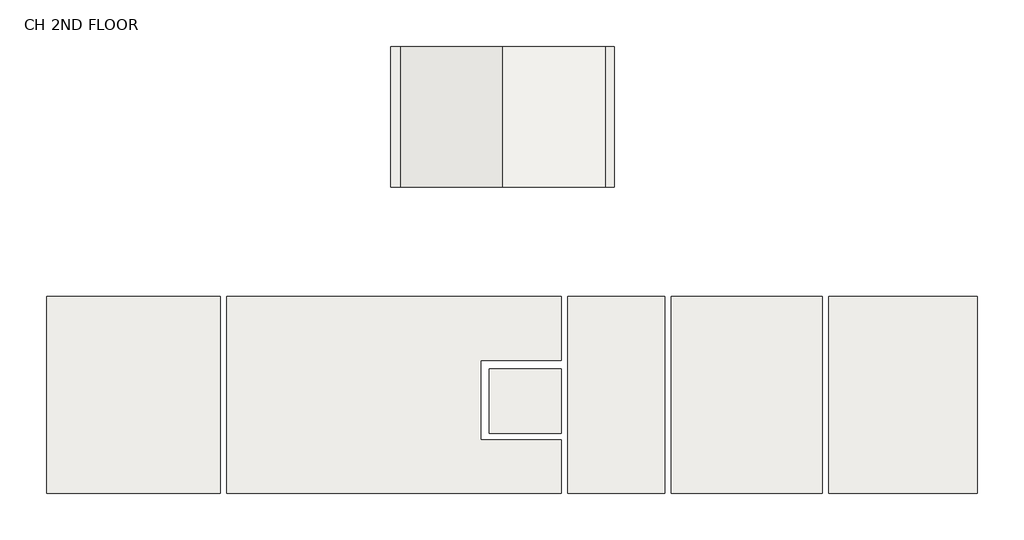
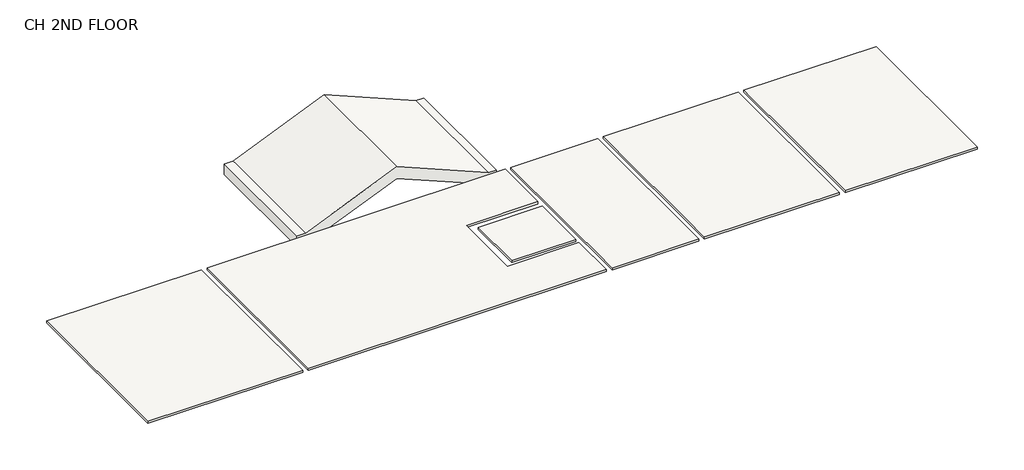
# One storey: 6 coverings, 1 roof.
"""IFC4 building model written with IfcOpenShell, lengths in millimetres."""

from ifc_helpers import new_model, si_unit, frame, origin, place, context, project, spatial, polyline, outline, extrude, element, save

model = new_model("IFC4")

# Units and contexts
model_context = context("Model", 3, world=origin())
ifc_project = project(units=[si_unit("LENGTHUNIT", "METRE", prefix="MILLI")], contexts=[model_context])

# Site, building, storey
site = spatial("IfcSite", under=ifc_project)
building = spatial("IfcBuilding", under=site)
storey = spatial("IfcBuildingStorey", under=building, Name="CH 2ND FLOOR", Elevation=6146.8)

# Coverings
placement = place(None, origin())
element("IfcCovering", 1, ObjectType="2' x 4' ACT System", at=placement, inside=storey, context=model_context, shape_type="SweptSolid", body=[
    extrude(outline(polyline([(-9847.1413822, -2937.3771402), (-13935.5510412, -2937.3771402), (-13935.5510412, 1685.4228598), (-9847.1413822, 1685.4228598), (-9847.1413822, -2937.3771402)])), frame((0.0, 0.0, 6146.8), z_axis=(0.0, 0.0, 1.0), x_axis=(1.0, 0.0, 0.0)), (0.0, 0.0, 1.0), 57.15),
])
element("IfcCovering", 2, ObjectType="2' x 4' ACT System", at=placement, inside=storey, context=model_context, shape_type="SweptSolid", body=[
    extrude(outline(polyline([(-1834.5128771, -2937.3771402), (-9694.7413822, -2937.3771402), (-9694.7413822, 1685.4228598), (-1834.5128771, 1685.4228598), (-1834.5128771, 189.851919), (-3726.8128771, 189.851919), (-3726.8128771, -1689.748081), (-1834.5128771, -1689.748081), (-1834.5128771, -2937.3771402)])), frame((0.0, 0.0, 6146.8), z_axis=(0.0, 0.0, 1.0), x_axis=(1.0, 0.0, 0.0)), (0.0, 0.0, 1.0), 57.15),
])
element("IfcCovering", 3, ObjectType="2' x 4' ACT System", at=placement, inside=storey, context=model_context, shape_type="SweptSolid", body=[
    extrude(outline(polyline([(4312.2871229, -2937.3771402), (756.2871229, -2937.3771402), (756.2871229, 1685.4228598), (4312.2871229, 1685.4228598), (4312.2871229, -2937.3771402)])), frame((0.0, 0.0, 6146.8), z_axis=(0.0, 0.0, 1.0), x_axis=(1.0, 0.0, 0.0)), (0.0, 0.0, 1.0), 57.15),
])
element("IfcCovering", 4, ObjectType="2' x 4' ACT System", at=placement, inside=storey, context=model_context, shape_type="SweptSolid", body=[
    extrude(outline(polyline([(7959.2489588, 1685.4228598), (7959.2489588, -2937.3771402), (4464.6871229, -2937.3771402), (4464.6871229, 1685.4228598), (7959.2489588, 1685.4228598)])), frame((0.0, 0.0, 6146.8), z_axis=(0.0, 0.0, 1.0), x_axis=(1.0, 0.0, 0.0)), (0.0, 0.0, 1.0), 57.15),
])
element("IfcCovering", 5, ObjectType="2' x 4' ACT System", at=placement, inside=storey, context=model_context, shape_type="SweptSolid", body=[
    extrude(outline(polyline([(-3523.6128771, -13.348081), (-1834.5128771, -13.348081), (-1834.5128771, -1537.348081), (-3523.6128771, -1537.348081), (-3523.6128771, -13.348081)])), frame((0.0, 0.0, 6146.8), z_axis=(0.0, 0.0, 1.0), x_axis=(1.0, 0.0, 0.0)), (0.0, 0.0, 1.0), 57.15),
])
element("IfcCovering", 6, ObjectType="2' x 4' ACT System", at=placement, inside=storey, context=model_context, shape_type="SweptSolid", body=[
    extrude(outline(polyline([(-1682.1128771, 1685.4228598), (603.8871229, 1685.4228598), (603.8871229, -2937.3771402), (-1682.1128771, -2937.3771402), (-1682.1128771, 1685.4228598)])), frame((0.0, 0.0, 6146.8), z_axis=(0.0, 0.0, 1.0), x_axis=(1.0, 0.0, 0.0)), (0.0, 0.0, 1.0), 57.15),
])

# Roof
element("IfcRoof", 7, ObjectType="Generic - 12\"", at=placement, inside=storey, context=model_context, shape_type="SweptSolid", body=[
    extrude(outline(polyline([(4187.6485138, -5844.0721384), (3882.8485138, -5844.0721384), (3882.8485138, -5552.3482845), (4860.1899665, -3201.9415084), (3882.8485138, -851.5347323), (3882.8485138, -586.2415084), (4187.6485138, -586.2415084), (4187.6485138, -790.6893704), (5190.2905634, -3201.9415084), (4187.6485138, -5613.1936464), (4187.6485138, -5844.0721384)])), frame((0.0, 4263.9801697, 0.0), z_axis=(0.0, 1.0, 0.0), x_axis=(0.0, 0.0, 1.0)), (0.0, 0.0, 1.0), 3311.4134288),
])

save(model, "model.ifc")
